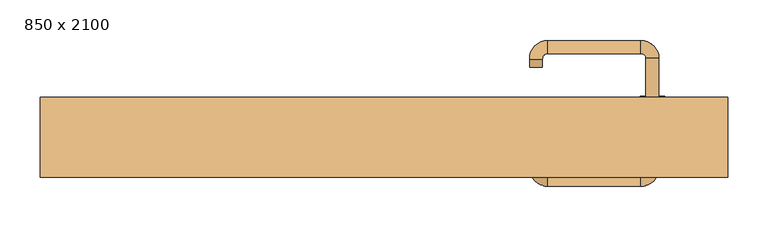
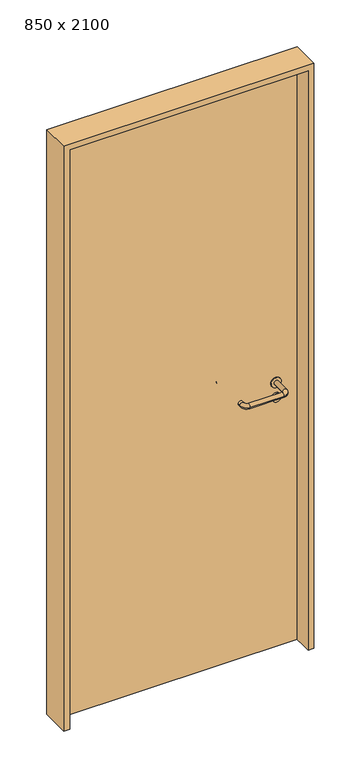
"""IFC4 building model written with IfcOpenShell, lengths in millimetres: door geometry, 850 x 2100."""

from ifc_helpers import new_model, si_unit, point, frame, frame_2d, origin, origin_with_axes, place, context, project, spatial, polyline, circle_curve, ellipse_curve, trimmed, segment, composite_curve, outline, extrude, source, transform, mapped, element, save
from ifc_brep_helpers import plane_surface, cylinder_surface, revolved_surface, advanced_brep


def door_850_x_2100_55dd126f(model_context):
    return source(origin(), model_context, "Body", "SolidModel", [
        extrude(outline(composite_curve([segment(trimmed(circle_curve(frame_2d((897.3605726, 332.0)), 15.0), [point((897.3605726, 347.0))], [point((897.3605726, 317.0))], False, "CARTESIAN"), True, "CONTINUOUS"), segment(trimmed(circle_curve(frame_2d((897.3605726, 332.0)), 15.0), [point((897.3605726, 317.0))], [point((897.3605726, 347.0))], False, "CARTESIAN"), True, "CONTINUOUS")], self_intersect=False), holes=[composite_curve([segment(trimmed(circle_curve(frame_2d((892.5833211, 331.9398032)), 2.0), [point((892.5833211, 333.9398032))], [point((892.5833211, 329.9398032))], True, "CARTESIAN"), True, "CONTINUOUS"), segment(polyline([(892.5833211, 329.9398032), (902.5833211, 329.9398032)]), True, "CONTINUOUS"), segment(trimmed(circle_curve(frame_2d((902.5833211, 331.9398032)), 2.0), [point((902.5833211, 329.9398032))], [point((902.5833211, 333.9398032))], True, "CARTESIAN"), True, "CONTINUOUS"), segment(polyline([(902.5833211, 333.9398032), (892.5833211, 333.9398032)]), True, "CONTINUOUS")], self_intersect=False)]), frame((0.0, 8.65, 0.0), z_axis=(0.0, 1.0, 0.0), x_axis=(0.0, 0.0, 1.0)), (0.0, 0.0, 1.0), 6.35),
        extrude(outline(composite_curve([segment(trimmed(circle_curve(frame_2d((950.0, 332.0)), 17.526), [point((950.0, 349.526))], [point((950.0, 314.474))], False, "CARTESIAN"), True, "CONTINUOUS"), segment(trimmed(circle_curve(frame_2d((950.0, 332.0)), 17.526), [point((950.0, 314.474))], [point((950.0, 349.526))], False, "CARTESIAN"), True, "CONTINUOUS")], self_intersect=False)), frame((0.0, 11.825, 0.0), z_axis=(0.0, 1.0, 0.0), x_axis=(0.0, 0.0, 1.0)), (0.0, 0.0, 1.0), 3.175),
        advanced_brep(
        [(340.0, 15.0, 950.0), (324.0, 15.0, 950.0), (324.0, -38.0, 950.0), (340.0, -38.0, 950.0), (317.8578644, -44.1421356, 950.0), (317.8578644, -60.1421356, 950.0), (202.8578644, -44.1421356, 950.0), (202.8578644, -60.1421356, 950.0), (196.008622, -37.2928932, 950.0), (180.008622, -37.2928932, 950.0), (180.008622, -27.2928932, 950.0), (196.008622, -27.2928932, 950.0)],
        [
            (0, 1, circle_curve(frame((332.0, 15.0, 950.0), z_axis=(0.0, 1.0, 0.0), x_axis=(-1.0, 0.0, 0.0)), 8.0)),
            (1, 0, circle_curve(frame((332.0, 15.0, 950.0), z_axis=(0.0, 1.0, 0.0), x_axis=(-1.0, 0.0, 0.0)), 8.0)),
            (1, 2),
            (2, 3, circle_curve(frame((332.0, -38.0, 950.0), z_axis=(0.0, 1.0, 0.0), x_axis=(-1.0, 0.0, 0.0)), 8.0)),
            (3, 0),
            (3, 2, circle_curve(frame((332.0, -38.0, 950.0), z_axis=(0.0, 1.0, 0.0), x_axis=(-1.0, 0.0, 0.0)), 8.0)),
            (4, 5, circle_curve(frame((317.8578644, -52.1421356, 950.0), z_axis=(1.0, 0.0, 0.0), x_axis=(0.0, 1.0, 0.0)), 8.0)),
            (5, 3, circle_curve(frame((317.8578644, -38.0, 950.0), z_axis=(0.0, 0.0, 1.0), x_axis=(1.0, 0.0, 0.0)), 22.1421356)),
            (2, 4, circle_curve(frame((317.8578644, -38.0, 950.0), z_axis=(0.0, 0.0, -1.0), x_axis=(1.0, 0.0, 0.0)), 6.1421356)),
            (5, 4, circle_curve(frame((317.8578644, -52.1421356, 950.0), z_axis=(1.0, 0.0, 0.0), x_axis=(0.0, 1.0, 0.0)), 8.0)),
            (4, 6),
            (6, 7, circle_curve(frame((202.8578644, -52.1421356, 950.0), z_axis=(1.0, 0.0, 0.0), x_axis=(0.0, 1.0, 0.0)), 8.0)),
            (7, 5),
            (7, 6, circle_curve(frame((202.8578644, -52.1421356, 950.0), z_axis=(1.0, 0.0, 0.0), x_axis=(0.0, 1.0, 0.0)), 8.0)),
            (8, 9, circle_curve(frame((188.008622, -37.2928932, 950.0), z_axis=(0.0, -1.0, 0.0), x_axis=(1.0, 0.0, 0.0)), 8.0)),
            (9, 7, circle_curve(frame((202.8578644, -37.2928932, 950.0), z_axis=(0.0, 0.0, 1.0), x_axis=(0.0, -1.0, 0.0)), 22.8492424)),
            (6, 8, circle_curve(frame((202.8578644, -37.2928932, 950.0), z_axis=(0.0, 0.0, -1.0), x_axis=(0.0, -1.0, 0.0)), 6.8492424)),
            (9, 8, circle_curve(frame((188.008622, -37.2928932, 950.0), z_axis=(0.0, -1.0, 0.0), x_axis=(1.0, 0.0, 0.0)), 8.0)),
            (10, 11, circle_curve(frame((188.008622, -27.2928932, 950.0), z_axis=(0.0, 1.0, 0.0), x_axis=(1.0, 0.0, 0.0)), 8.0)),
            (11, 10, circle_curve(frame((188.008622, -27.2928932, 950.0), z_axis=(0.0, 1.0, 0.0), x_axis=(1.0, 0.0, 0.0)), 8.0)),
            (8, 11),
            (10, 9),
        ],
        [
            plane_surface(frame((332.0, 15.0, 0.0), z_axis=(0.0, 1.0, 0.0), x_axis=(0.0, 0.0, 1.0))),
            cylinder_surface(frame((332.0, 15.0, 950.0), z_axis=(0.0, 1.0, 0.0), x_axis=(-1.0, 0.0, 0.0)), 8.0),
            revolved_surface(trimmed(ellipse_curve(frame((332.0, -38.0, 950.0), z_axis=(0.0, -1.0, 0.0), x_axis=(-1.0, 0.0, 0.0)), 8.0, 8.0), [point((340.0, -38.0, 950.0))], [point((324.0, -38.0, 950.0))], True, "CARTESIAN"), (317.8578644, -38.0, 0.0), (0.0, 0.0, 1.0)),
            revolved_surface(trimmed(ellipse_curve(frame((332.0, -38.0, 950.0), z_axis=(0.0, -1.0, 0.0), x_axis=(-1.0, 0.0, 0.0)), 8.0, 8.0), [point((324.0, -38.0, 950.0))], [point((340.0, -38.0, 950.0))], True, "CARTESIAN"), (317.8578644, -38.0, 0.0), (0.0, 0.0, 1.0)),
            cylinder_surface(frame((317.8578644, -52.1421356, 950.0), z_axis=(1.0, 0.0, 0.0), x_axis=(0.0, 1.0, 0.0)), 8.0),
            revolved_surface(trimmed(ellipse_curve(frame((202.8578644, -52.1421356, 950.0), z_axis=(-1.0, 0.0, 0.0), x_axis=(0.0, 1.0, 0.0)), 8.0, 8.0), [point((202.8578644, -60.1421356, 950.0))], [point((202.8578644, -44.1421356, 950.0))], True, "CARTESIAN"), (202.8578644, -37.2928932, 0.0), (0.0, 0.0, 1.0)),
            revolved_surface(trimmed(ellipse_curve(frame((202.8578644, -52.1421356, 950.0), z_axis=(-1.0, 0.0, 0.0), x_axis=(0.0, 1.0, 0.0)), 8.0, 8.0), [point((202.8578644, -44.1421356, 950.0))], [point((202.8578644, -60.1421356, 950.0))], True, "CARTESIAN"), (202.8578644, -37.2928932, 0.0), (0.0, 0.0, 1.0)),
            plane_surface(frame((188.008622, -27.2928932, 0.0), z_axis=(0.0, 1.0, 0.0), x_axis=(0.0, 0.0, 1.0))),
            cylinder_surface(frame((188.008622, -37.2928932, 950.0), z_axis=(0.0, -1.0, 0.0), x_axis=(1.0, 0.0, 0.0)), 8.0),
        ],
        [
            (0, [[1, 2]]),
            (1, [[3, 4, 5, -2]]),
            (1, [[-5, 6, -3, -1]]),
            (2, [[7, 8, -4, 9]]),
            (3, [[10, -9, -6, -8]]),
            (4, [[11, 12, 13, -7]]),
            (4, [[-13, 14, -11, -10]]),
            (5, [[15, 16, -12, 17]]),
            (6, [[18, -17, -14, -16]]),
            (7, [[19, 20]]),
            (8, [[21, -19, 22, -15]]),
            (8, [[-22, -20, -21, -18]]),
        ],
    ),
        extrude(outline(composite_curve([segment(trimmed(circle_curve(frame_2d((0.0, -15.0)), 15.0), [point((0.0, -30.0))], [point((0.0, 0.0))], False, "CARTESIAN"), True, "CONTINUOUS"), segment(trimmed(circle_curve(frame_2d((0.0, -15.0)), 15.0), [point((0.0, 0.0))], [point((0.0, -30.0))], False, "CARTESIAN"), True, "CONTINUOUS")], self_intersect=False), holes=[composite_curve([segment(trimmed(circle_curve(frame_2d((4.7772515, -14.9398032)), 2.0), [point((4.7772515, -16.9398032))], [point((4.7772515, -12.9398032))], True, "CARTESIAN"), True, "CONTINUOUS"), segment(polyline([(4.7772515, -12.9398032), (-5.2227485, -12.9398032)]), True, "CONTINUOUS"), segment(trimmed(circle_curve(frame_2d((-5.2227485, -14.9398032)), 2.0), [point((-5.2227485, -12.9398032))], [point((-5.2227485, -16.9398032))], True, "CARTESIAN"), True, "CONTINUOUS"), segment(polyline([(-5.2227485, -16.9398032), (4.7772515, -16.9398032)]), True, "CONTINUOUS")], self_intersect=False)]), frame((317.0, 45.0, 897.3605726), z_axis=(1.8870575173328306e-12, 1.0, 0.0), x_axis=(0.0, 0.0, -1.0)), (0.0, 0.0, 1.0), 6.35),
        extrude(outline(composite_curve([segment(trimmed(circle_curve(frame_2d((0.0, -17.526)), 17.526), [point((0.0, -35.052))], [point((0.0, 0.0))], False, "CARTESIAN"), True, "CONTINUOUS"), segment(trimmed(circle_curve(frame_2d((0.0, -17.526)), 17.526), [point((0.0, 0.0))], [point((0.0, -35.052))], False, "CARTESIAN"), True, "CONTINUOUS")], self_intersect=False)), frame((314.474, 45.0, 950.0), z_axis=(1.8870575173328306e-12, 1.0, 0.0), x_axis=(0.0, 0.0, -1.0)), (0.0, 0.0, 1.0), 3.175),
        advanced_brep(
        [(340.0, 45.0, 950.0), (324.0, 45.0, 950.0), (340.0, 98.0, 950.0), (324.0, 98.0, 950.0), (317.8578644, 104.1421356, 950.0), (317.8578644, 120.1421356, 950.0), (202.8578644, 120.1421356, 950.0), (202.8578644, 104.1421356, 950.0), (196.008622, 97.2928932, 950.0), (180.008622, 97.2928932, 950.0), (180.008622, 87.2928932, 950.0), (196.008622, 87.2928932, 950.0)],
        [
            (0, 1, circle_curve(frame((332.0, 45.0, 950.0), z_axis=(-1.888672253512351e-12, -1.0, 0.0), x_axis=(-1.0, 1.888672253512351e-12, 0.0)), 8.0)),
            (1, 0, circle_curve(frame((332.0, 45.0, 950.0), z_axis=(-1.888672253512351e-12, -1.0, 0.0), x_axis=(-1.0, 1.888672253512351e-12, 0.0)), 8.0)),
            (0, 2),
            (2, 3, circle_curve(frame((332.0, 98.0, 950.0), z_axis=(-1.888672253512351e-12, -1.0, 0.0), x_axis=(-1.0, 1.888672253512351e-12, 0.0)), 8.0)),
            (3, 1),
            (3, 2, circle_curve(frame((332.0, 98.0, 950.0), z_axis=(-1.888672253512351e-12, -1.0, 0.0), x_axis=(-1.0, 1.888672253512351e-12, 0.0)), 8.0)),
            (4, 3, circle_curve(frame((317.8578644, 98.0, 950.0), z_axis=(0.0, 0.0, -1.0), x_axis=(1.0, -1.880717803715015e-12, 0.0)), 6.1421356)),
            (2, 5, circle_curve(frame((317.8578644, 98.0, 950.0), z_axis=(0.0, 0.0, 1.0), x_axis=(1.0, -1.880717803715015e-12, 0.0)), 22.1421356)),
            (5, 4, circle_curve(frame((317.8578644, 112.1421356, 950.0), z_axis=(1.0, -1.913702061528922e-12, 0.0), x_axis=(-1.913702061528922e-12, -1.0, 0.0)), 8.0)),
            (4, 5, circle_curve(frame((317.8578644, 112.1421356, 950.0), z_axis=(1.0, -1.913702061528922e-12, 0.0), x_axis=(-1.913702061528922e-12, -1.0, 0.0)), 8.0)),
            (5, 6),
            (6, 7, circle_curve(frame((202.8578644, 112.1421356, 950.0), z_axis=(1.0, -1.913719828541269e-12, 0.0), x_axis=(-1.913719828541269e-12, -1.0, 0.0)), 8.0)),
            (7, 4),
            (7, 6, circle_curve(frame((202.8578644, 112.1421356, 950.0), z_axis=(1.0, -1.913719828541269e-12, 0.0), x_axis=(-1.913719828541269e-12, -1.0, 0.0)), 8.0)),
            (8, 7, circle_curve(frame((202.8578644, 97.2928932, 950.0), z_axis=(0.0, 0.0, -1.0), x_axis=(1.9120873253494017e-12, 1.0, 0.0)), 6.8492424)),
            (6, 9, circle_curve(frame((202.8578644, 97.2928932, 950.0), z_axis=(0.0, 0.0, 1.0), x_axis=(1.9120873253494017e-12, 1.0, 0.0)), 22.8492424)),
            (9, 8, circle_curve(frame((188.008622, 97.2928932, 950.0), z_axis=(1.890448610351751e-12, 1.0, 0.0), x_axis=(1.0, -1.890448610351751e-12, 0.0)), 8.0)),
            (8, 9, circle_curve(frame((188.008622, 97.2928932, 950.0), z_axis=(1.8888942981172756e-12, 1.0, 0.0), x_axis=(1.0, -1.8888942981172756e-12, 0.0)), 8.0)),
            (10, 11, circle_curve(frame((188.008622, 87.2928932, 950.0), z_axis=(-1.8903642334018795e-12, -1.0, 0.0), x_axis=(1.0, -1.8903642334018795e-12, 0.0)), 8.0)),
            (11, 10, circle_curve(frame((188.008622, 87.2928932, 950.0), z_axis=(-1.8903642334018795e-12, -1.0, 0.0), x_axis=(1.0, -1.8903642334018795e-12, 0.0)), 8.0)),
            (9, 10),
            (11, 8),
        ],
        [
            plane_surface(frame((332.0, 45.0, 0.0), z_axis=(-1.8870575173328306e-12, -1.0, 0.0), x_axis=(0.0, 0.0, 1.0))),
            cylinder_surface(frame((332.0, 45.0, 950.0), z_axis=(-1.888672253512351e-12, -1.0, 0.0), x_axis=(-1.0, 1.888672253512351e-12, 0.0)), 8.0),
            revolved_surface(trimmed(ellipse_curve(frame((332.0, 98.0, 950.0), z_axis=(-1.8823325398945356e-12, -1.0, 0.0), x_axis=(-1.0, 1.8823325398945356e-12, 0.0)), 8.0, 8.0), [point((340.0, 98.0, 950.0))], [point((324.0, 98.0, 950.0))], True, "CARTESIAN"), (317.8578644, 98.0, 0.0), (0.0, 0.0, 1.0)),
            revolved_surface(trimmed(ellipse_curve(frame((332.0, 98.0, 950.0), z_axis=(-1.8823325398945356e-12, -1.0, 0.0), x_axis=(-1.0, 1.8823325398945356e-12, 0.0)), 8.0, 8.0), [point((324.0, 98.0, 950.0))], [point((340.0, 98.0, 950.0))], True, "CARTESIAN"), (317.8578644, 98.0, 0.0), (0.0, 0.0, 1.0)),
            cylinder_surface(frame((317.8578644, 112.1421356, 950.0), z_axis=(1.0, -1.913719828541269e-12, 0.0), x_axis=(-1.913719828541269e-12, -1.0, 0.0)), 8.0),
            revolved_surface(trimmed(ellipse_curve(frame((202.8578644, 112.1421356, 950.0), z_axis=(1.0, -1.913702061528922e-12, 0.0), x_axis=(-1.913702061528922e-12, -1.0, 0.0)), 8.0, 8.0), [point((202.8578644, 120.1421356, 950.0))], [point((202.8578644, 104.1421356, 950.0))], True, "CARTESIAN"), (202.8578644, 97.2928932, 0.0), (0.0, 0.0, 1.0)),
            revolved_surface(trimmed(ellipse_curve(frame((202.8578644, 112.1421356, 950.0), z_axis=(1.0, -1.913702061528922e-12, 0.0), x_axis=(-1.913702061528922e-12, -1.0, 0.0)), 8.0, 8.0), [point((202.8578644, 104.1421356, 950.0))], [point((202.8578644, 120.1421356, 950.0))], True, "CARTESIAN"), (202.8578644, 97.2928932, 0.0), (0.0, 0.0, 1.0)),
            plane_surface(frame((188.008622, 87.2928932, 0.0), z_axis=(-1.8887494972223595e-12, -1.0, 0.0), x_axis=(0.0, 0.0, 1.0))),
            cylinder_surface(frame((188.008622, 97.2928932, 950.0), z_axis=(1.8903642334018795e-12, 1.0, 0.0), x_axis=(1.0, -1.8903642334018795e-12, 0.0)), 8.0),
        ],
        [
            (0, [[1, 2]]),
            (1, [[-1, 3, 4, 5]]),
            (1, [[-2, -5, 6, -3]]),
            (2, [[7, -4, 8, 9]]),
            (3, [[-8, -6, -7, 10]]),
            (4, [[-9, 11, 12, 13]]),
            (4, [[-10, -13, 14, -11]]),
            (5, [[15, -12, 16, 17]]),
            (6, [[-16, -14, -15, 18]]),
            (7, [[19, 20]]),
            (8, [[-17, 21, -20, 22]]),
            (8, [[-18, -22, -19, -21]]),
        ],
    ),
        extrude(outline(polyline([(2080.0, 405.0), (0.0, 405.0), (0.0, 425.0), (2100.0, 425.0), (2100.0, -425.0), (0.0, -425.0), (0.0, -405.0), (2080.0, -405.0), (2080.0, 405.0)])), frame((0.0, -49.0, 0.0), z_axis=(0.0, 1.0, 0.0), x_axis=(0.0, 0.0, 1.0)), (0.0, 0.0, 1.0), 99.0),
        extrude(outline(polyline([(-405.0, 45.0), (405.0, 45.0), (405.0, 15.0), (-405.0, 15.0), (-405.0, 45.0)])), origin_with_axes(), (0.0, 0.0, 1.0), 2080.0),
    ])


if __name__ == "__main__":
    model = new_model("IFC4")
    model_context = context("Model", 3, world=origin())
    ifc_project = project(units=[si_unit("LENGTHUNIT", "METRE", prefix="MILLI")], contexts=[model_context])
    site = spatial("IfcSite", under=ifc_project)
    building = spatial("IfcBuilding", under=site)
    placement = place(None, origin())
    door_850_x_2100_shape = door_850_x_2100_55dd126f(model_context)
    element("IfcDoor", 1, ObjectType="850 x 2100", at=placement, inside=building, context=model_context, shape_type="MappedRepresentation", body=[
        mapped(door_850_x_2100_shape, transform((0.0, 0.0, 0.0), x_axis=(1.0, 0.0, 0.0), y_axis=(0.0, 1.0, 0.0), z_axis=(0.0, 0.0, 1.0))),
    ])
    save(model, "model.ifc")
